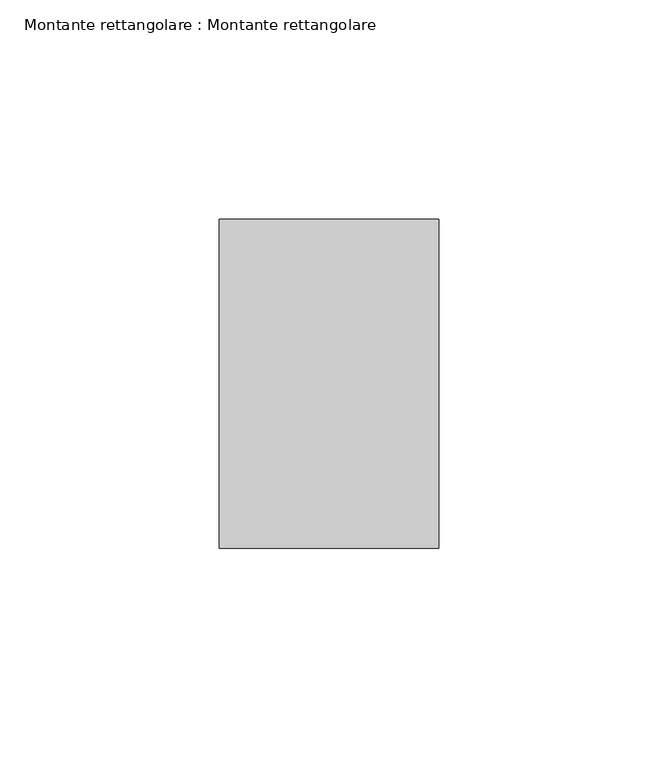
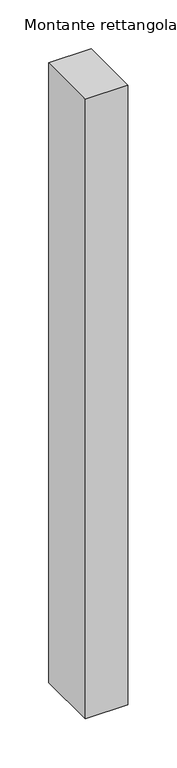
"""IFC4 building model written with IfcOpenShell, lengths in millimetres: member geometry, Montante rettangolare : Montante rettangolare."""

from ifc_helpers import new_model, si_unit, origin, place, context, project, spatial, faceted_brep, source, transform, mapped, element, save


def montante_rettangolare_montante_rettangolare_f9b49a21(model_context):
    return source(origin(), model_context, "Body", "Brep", [
        faceted_brep([(-50.0, 37.5, 0.0), (0.0, 37.5, 0.0), (0.0, 37.5, -775.2049866), (-50.0, 37.5, -775.2049866), (-50.0, -37.5, 0.0), (-50.0, -37.3622069, -774.7940522), (0.0, -37.5, 0.0), (0.0, -37.5, -774.7932958)], [[[0, 1, 2, 3]], [[4, 0, 3, 5]], [[6, 4, 5, 7]], [[1, 6, 7, 2]], [[1, 0, 4, 6]], [[2, 7, 5, 3]]]),
    ])


if __name__ == "__main__":
    model = new_model("IFC4")
    model_context = context("Model", 3, world=origin())
    ifc_project = project(units=[si_unit("LENGTHUNIT", "METRE", prefix="MILLI")], contexts=[model_context])
    site = spatial("IfcSite", under=ifc_project)
    building = spatial("IfcBuilding", under=site)
    placement = place(None, origin())
    montante_rettangolare_montante_rettangolare_shape = montante_rettangolare_montante_rettangolare_f9b49a21(model_context)
    element("IfcMember", 1, ObjectType="Montante rettangolare : Montante rettangolare", at=placement, inside=building, context=model_context, shape_type="MappedRepresentation", body=[
        mapped(montante_rettangolare_montante_rettangolare_shape, transform((0.0, 0.0, 0.0), x_axis=(1.0, 0.0, 0.0), y_axis=(0.0, 1.0, 0.0), z_axis=(0.0, 0.0, 1.0))),
    ])
    save(model, "model.ifc")
